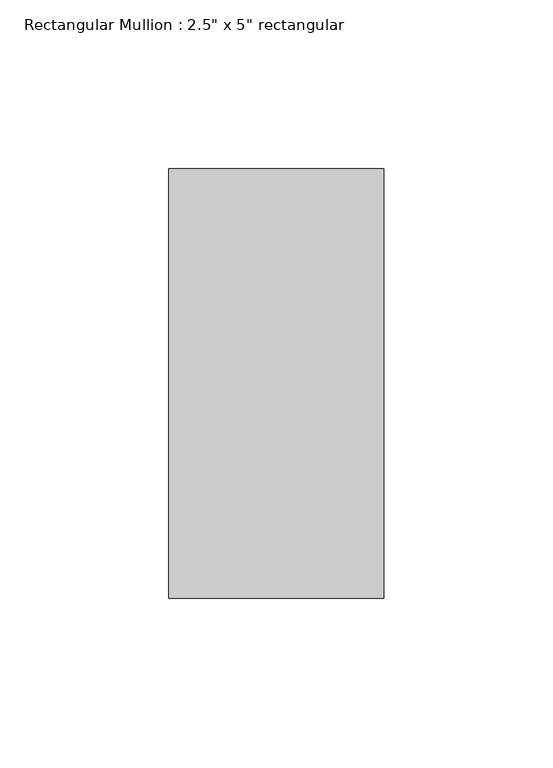
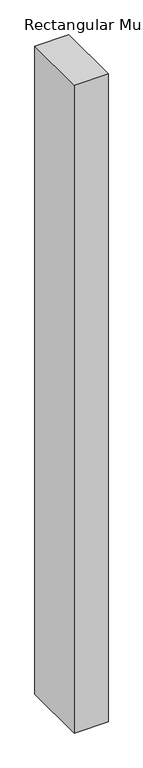
"""IFC4 building model written with IfcOpenShell, lengths in millimetres: member geometry."""

from ifc_helpers import new_model, si_unit, frame, origin, place, context, project, spatial, polyline, outline, extrude, source, transform, mapped, element, save


def member_2f2b785f(model_context):
    return source(origin(), model_context, "Body", "SweptSolid", [
        extrude(outline(polyline([(31.75, 63.5), (31.75, -63.5), (-31.75, -63.5), (-31.75, 63.5), (31.75, 63.5)])), frame((0.0, 0.0, -1282.0945449), z_axis=(0.0, 0.0, 1.0), x_axis=(1.0, 0.0, 0.0)), (0.0, 0.0, 1.0), 1282.0945449),
    ])


if __name__ == "__main__":
    model = new_model("IFC4")
    model_context = context("Model", 3, world=origin())
    ifc_project = project(units=[si_unit("LENGTHUNIT", "METRE", prefix="MILLI")], contexts=[model_context])
    site = spatial("IfcSite", under=ifc_project)
    building = spatial("IfcBuilding", under=site)
    placement = place(None, origin())
    member_shape = member_2f2b785f(model_context)
    element("IfcMember", 1, ObjectType="Rectangular Mullion : 2.5\" x 5\" rectangular", at=placement, inside=building, context=model_context, shape_type="MappedRepresentation", body=[
        mapped(member_shape, transform((0.0, 0.0, 0.0), x_axis=(1.0, 0.0, 0.0), y_axis=(0.0, 1.0, 0.0), z_axis=(0.0, 0.0, 1.0))),
    ])
    save(model, "model.ifc")
